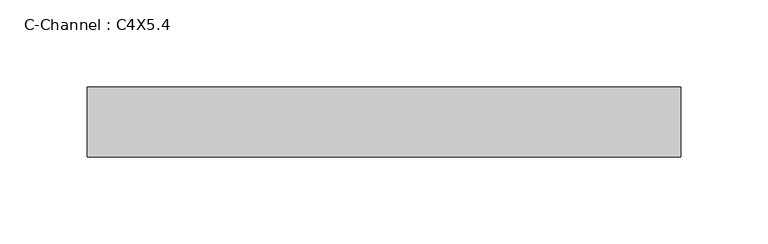
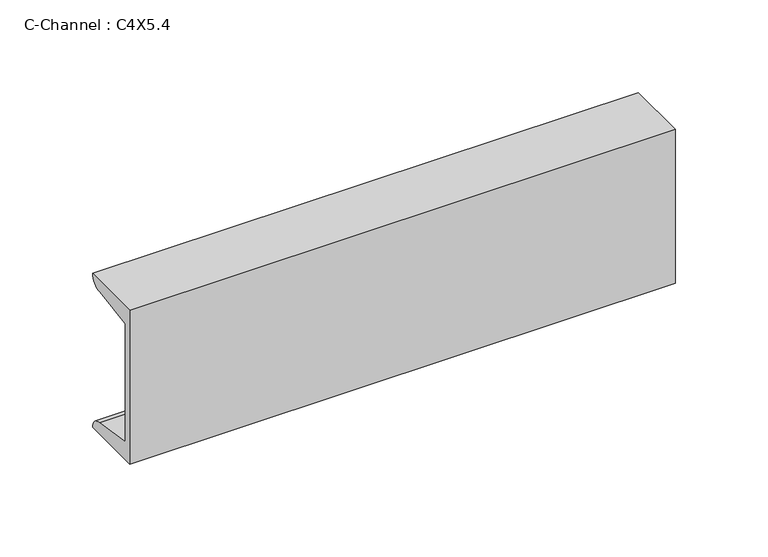
"""IFC4 building model written with IfcOpenShell, lengths in millimetres: beam geometry, C-Channel : C4X5.4."""

from ifc_helpers import new_model, si_unit, point, frame, frame_2d, origin, place, context, project, spatial, polyline, circle_curve, trimmed, segment, composite_curve, outline, extrude, source, transform, mapped, element, save


def c_channel_c4x5_4_22185b78(model_context):
    return source(origin(), model_context, "Body", "SweptSolid", [
        extrude(outline(composite_curve([segment(polyline([(-11.6085937, 50.8), (28.4757813, 50.8)]), True, "CONTINUOUS"), segment(trimmed(circle_curve(frame_2d((20.9351563, 50.8)), 7.540625), [point((28.4757813, 50.8))], [point((20.9351563, 43.259375))], False, "CARTESIAN"), True, "CONTINUOUS"), segment(polyline([(20.9351563, 43.259375), (-6.9453125, 38.8435426), (-6.9453125, -38.8435426), (20.9351563, -43.259375)]), True, "CONTINUOUS"), segment(trimmed(circle_curve(frame_2d((20.9351563, -50.8)), 7.540625), [point((20.9351563, -43.259375))], [point((28.4757813, -50.8))], False, "CARTESIAN"), True, "CONTINUOUS"), segment(polyline([(28.4757813, -50.8), (-11.6085937, -50.8), (-11.6085937, 50.8)]), True, "CONTINUOUS")], self_intersect=False)), frame((-232.78116, 0.0, 0.0), z_axis=(1.0, 0.0, 0.0), x_axis=(0.0, 1.0, 0.0)), (0.0, 0.0, 1.0), 340.4853184),
    ])


if __name__ == "__main__":
    model = new_model("IFC4")
    model_context = context("Model", 3, world=origin())
    ifc_project = project(units=[si_unit("LENGTHUNIT", "METRE", prefix="MILLI")], contexts=[model_context])
    site = spatial("IfcSite", under=ifc_project)
    building = spatial("IfcBuilding", under=site)
    placement = place(None, origin())
    c_channel_c4x5_4_shape = c_channel_c4x5_4_22185b78(model_context)
    element("IfcBeam", 1, ObjectType="C-Channel : C4X5.4", at=placement, inside=building, context=model_context, shape_type="MappedRepresentation", body=[
        mapped(c_channel_c4x5_4_shape, transform((0.0, 0.0, 0.0), x_axis=(1.0, 0.0, 0.0), y_axis=(0.0, 1.0, 0.0), z_axis=(0.0, 0.0, 1.0))),
    ])
    save(model, "model.ifc")
